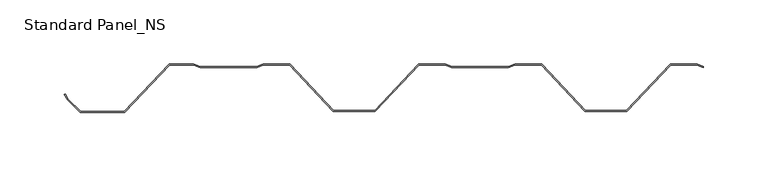
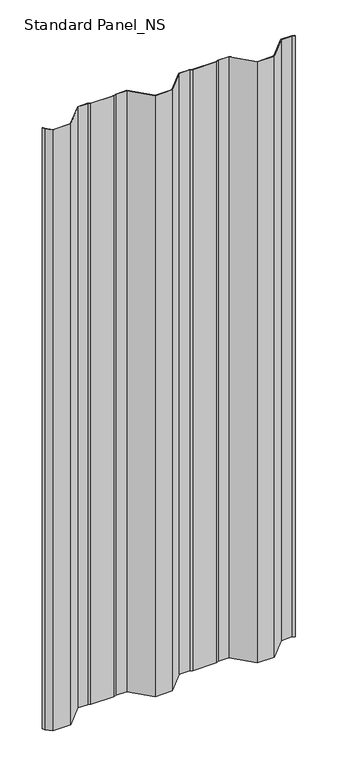
"""IFC4 building model written with IfcOpenShell, lengths in millimetres: proxy geometry, Standard Panel_NS."""

from ifc_helpers import new_model, si_unit, origin, place, context, project, spatial, faceted_brep, source, transform, mapped, element, save


def standard_panel_ns_fe85151b(model_context):
    return source(origin(), model_context, "Body", "Brep", [
        faceted_brep([(233.9042607, -2.8, 1219.2), (233.9042607, -1.9207153, 1219.2), (229.1024725, 0.0, 1219.2), (208.1024725, 0.0, 1219.2), (174.1024725, -36.0, 1219.2), (142.1024725, -36.0, 1219.2), (108.1024725, 0.0, 1219.2), (87.1024725, 0.0, 1219.2), (82.1024725, -2.0, 1219.2), (38.1024725, -2.0, 1219.2), (33.1024725, 0.0, 1219.2), (12.1024725, 0.0, 1219.2), (-21.8975275, -36.0, 1219.2), (-53.8975275, -36.0, 1219.2), (-87.8975275, 0.0, 1219.2), (-108.8975275, 0.0, 1219.2), (-113.8975275, -2.0, 1219.2), (-157.8975275, -2.0, 1219.2), (-162.8975275, 0.0, 1219.2), (-182.0225275, 0.0, 1219.2), (-216.9531315, -37.0, 1219.2), (-251.0975275, -37.0, 1219.2), (-260.5828089, -27.5147186, 1219.2), (-263.0828089, -23.1845916, 1219.2), (-263.7756292, -23.5845916, 1219.2), (-261.2229682, -28.0059302, 1219.2), (-251.4288984, -37.8, 1219.2), (-216.6221348, -37.8, 1219.2), (-181.6776903, -0.8, 1219.2), (-163.0515934, -0.8, 1219.2), (-158.0515934, -2.8, 1219.2), (-113.7434616, -2.8, 1219.2), (-108.7434616, -0.8, 1219.2), (-88.2423647, -0.8, 1219.2), (-54.2423647, -36.8, 1219.2), (-21.5526903, -36.8, 1219.2), (12.4473097, -0.8, 1219.2), (32.9484066, -0.8, 1219.2), (37.9484066, -2.8, 1219.2), (82.2565384, -2.8, 1219.2), (87.2565384, -0.8, 1219.2), (107.7576353, -0.8, 1219.2), (141.7576353, -36.8, 1219.2), (174.4473097, -36.8, 1219.2), (208.4473097, -0.8, 1219.2), (228.9484066, -0.8, 1219.2), (229.1024725, 0.0, 0.0), (233.9042607, -1.9207153, 0.0), (233.9042607, -2.8, 0.0), (228.9484066, -0.8, 0.0), (208.4473097, -0.8, 0.0), (174.4473097, -36.8, 0.0), (141.7576353, -36.8, 0.0), (107.7576353, -0.8, 0.0), (87.2565384, -0.8, 0.0), (82.2565384, -2.8, 0.0), (37.9484066, -2.8, 0.0), (32.9484066, -0.8, 0.0), (12.4473097, -0.8, 0.0), (-21.5526903, -36.8, 0.0), (-54.2423647, -36.8, 0.0), (-88.2423647, -0.8, 0.0), (-108.7434616, -0.8, 0.0), (-113.7434616, -2.8, 0.0), (-158.0515934, -2.8, 0.0), (-163.0515934, -0.8, 0.0), (-181.6776903, -0.8, 0.0), (-216.6221348, -37.8, 0.0), (-251.4288984, -37.8, 0.0), (-261.2229682, -28.0059302, 0.0), (-263.7756292, -23.5845916, 0.0), (-263.0828089, -23.1845916, 0.0), (-260.5828089, -27.5147186, 0.0), (-251.0975275, -37.0, 0.0), (-216.9531315, -37.0, 0.0), (-182.0225275, 0.0, 0.0), (-162.8975275, 0.0, 0.0), (-157.8975275, -2.0, 0.0), (-113.8975275, -2.0, 0.0), (-108.8975275, 0.0, 0.0), (-87.8975275, 0.0, 0.0), (-53.8975275, -36.0, 0.0), (-21.8975275, -36.0, 0.0), (12.1024725, 0.0, 0.0), (33.1024725, 0.0, 0.0), (38.1024725, -2.0, 0.0), (82.1024725, -2.0, 0.0), (87.1024725, 0.0, 0.0), (108.1024725, 0.0, 0.0), (142.1024725, -36.0, 0.0), (174.1024725, -36.0, 0.0), (208.1024725, 0.0, 0.0)], [[[0, 1, 2, 3, 4, 5, 6, 7, 8, 9, 10, 11, 12, 13, 14, 15, 16, 17, 18, 19, 20, 21, 22, 23, 24, 25, 26, 27, 28, 29, 30, 31, 32, 33, 34, 35, 36, 37, 38, 39, 40, 41, 42, 43, 44, 45]], [[46, 47, 48, 49, 50, 51, 52, 53, 54, 55, 56, 57, 58, 59, 60, 61, 62, 63, 64, 65, 66, 67, 68, 69, 70, 71, 72, 73, 74, 75, 76, 77, 78, 79, 80, 81, 82, 83, 84, 85, 86, 87, 88, 89, 90, 91]], [[7, 87, 86, 8]], [[8, 86, 85, 9]], [[9, 85, 84, 10]], [[10, 84, 83, 11]], [[11, 83, 82, 12]], [[0, 48, 47, 1]], [[30, 64, 63, 31]], [[31, 63, 62, 32]], [[32, 62, 61, 33]], [[33, 61, 60, 34]], [[34, 60, 59, 35]], [[35, 59, 58, 36]], [[2, 1, 47, 46]], [[2, 46, 91, 3]], [[3, 91, 90, 4]], [[4, 90, 89, 5]], [[5, 89, 88, 6]], [[6, 88, 87, 7]], [[12, 82, 81, 13]], [[13, 81, 80, 14]], [[14, 80, 79, 15]], [[15, 79, 78, 16]], [[16, 78, 77, 17]], [[17, 77, 76, 18]], [[18, 76, 75, 19]], [[19, 75, 74, 20]], [[20, 74, 73, 21]], [[21, 73, 72, 22]], [[22, 72, 71, 23]], [[23, 71, 70, 24]], [[24, 70, 69, 25]], [[25, 69, 68, 26]], [[26, 68, 67, 27]], [[27, 67, 66, 28]], [[28, 66, 65, 29]], [[29, 65, 64, 30]], [[36, 58, 57, 37]], [[37, 57, 56, 38]], [[38, 56, 55, 39]], [[39, 55, 54, 40]], [[40, 54, 53, 41]], [[41, 53, 52, 42]], [[42, 52, 51, 43]], [[43, 51, 50, 44]], [[44, 50, 49, 45]], [[45, 49, 48, 0]]]),
    ])


if __name__ == "__main__":
    model = new_model("IFC4")
    model_context = context("Model", 3, world=origin())
    ifc_project = project(units=[si_unit("LENGTHUNIT", "METRE", prefix="MILLI")], contexts=[model_context])
    site = spatial("IfcSite", under=ifc_project)
    building = spatial("IfcBuilding", under=site)
    placement = place(None, origin())
    standard_panel_ns_shape = standard_panel_ns_fe85151b(model_context)
    element("IfcBuildingElementProxy", 1, Name="Standard Panel_NS", ObjectType="Standard Panel_NS", at=placement, inside=building, context=model_context, shape_type="MappedRepresentation", body=[
        mapped(standard_panel_ns_shape, transform((0.0, 0.0, 0.0), x_axis=(1.0, 0.0, 0.0), y_axis=(0.0, 1.0, 0.0), z_axis=(0.0, 0.0, 1.0))),
    ])
    save(model, "model.ifc")
